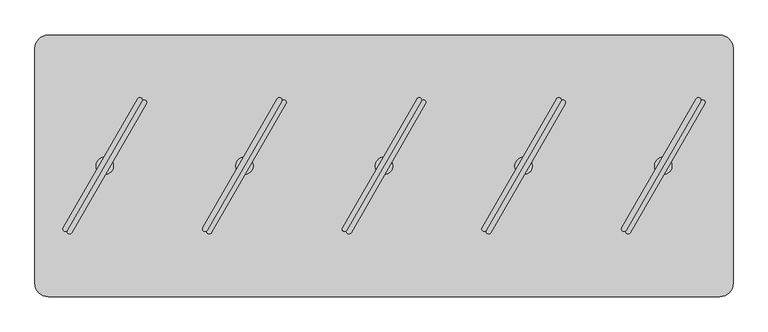
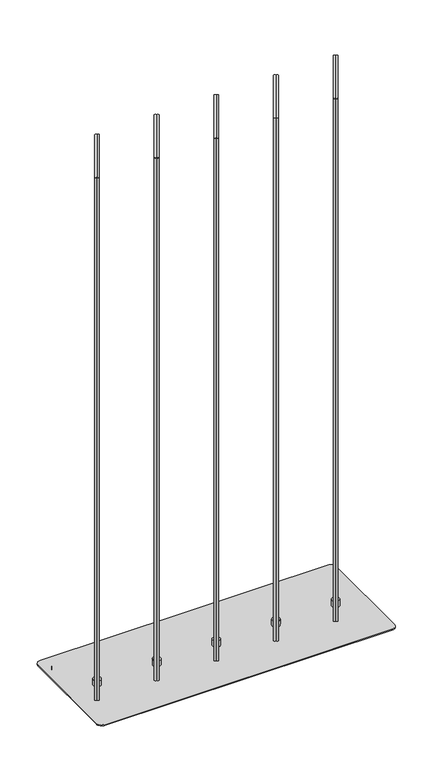
"""IFC4 building model written with IfcOpenShell, lengths in millimetres: furniture geometry."""

from ifc_helpers import new_model, si_unit, point, frame, frame_2d, origin, origin_with_axes, place, context, project, spatial, polyline, circle_curve, trimmed, segment, composite_curve, outline, extrude, source, transform, mapped, element, save
from ifc_brep_helpers import plane_surface, cylinder_surface, advanced_brep


def furniture_399d4e57(model_context):
    return source(origin(), model_context, "Body", "SolidModel", [
        extrude(outline(composite_curve([segment(polyline([(340.6144903, -160.9427833), (447.2724107, 23.7941539)]), True, "CONTINUOUS"), segment(trimmed(circle_curve(frame_2d((450.3034289, 22.0441947)), 3.4999184), [point((447.2724107, 23.7941539))], [point((453.3344472, 20.2942356))], False, "CARTESIAN"), True, "CONTINUOUS"), segment(polyline([(453.3344472, 20.2942356), (346.6765267, -164.4427017)]), True, "CONTINUOUS"), segment(trimmed(circle_curve(frame_2d((343.6455085, -162.6927425)), 3.4999184), [point((346.6765267, -164.4427017))], [point((340.6144903, -160.9427833))], False, "CARTESIAN"), True, "CONTINUOUS")], self_intersect=False)), frame((0.0, 0.0, 44.4119983), z_axis=(0.0, 0.0, 1.0), x_axis=(1.0, 0.0, 0.0)), (0.0, 0.0, 1.0), 1849.882),
        extrude(outline(composite_curve([segment(trimmed(circle_curve(frame_2d((349.707545, -166.1926609)), 3.4999184), [point((352.7385632, -167.9426201))], [point((346.6765267, -164.4427017))], False, "CARTESIAN"), True, "CONTINUOUS"), segment(polyline([(346.6765267, -164.4427017), (453.3344472, 20.2942356)]), True, "CONTINUOUS"), segment(trimmed(circle_curve(frame_2d((456.3654654, 18.5442764)), 3.4999184), [point((453.3344472, 20.2942356))], [point((459.3964836, 16.7943172))], False, "CARTESIAN"), True, "CONTINUOUS"), segment(polyline([(459.3964836, 16.7943172), (352.7385632, -167.9426201)]), True, "CONTINUOUS")], self_intersect=False)), frame((0.0, 0.0, 44.4119983), z_axis=(0.0, 0.0, 1.0), x_axis=(1.0, 0.0, 0.0)), (0.0, 0.0, 1.0), 1849.882),
        advanced_brep(
        [(399.9992, -84.5709522, 44.4119983), (399.9992, -59.5748171, 44.4119983), (399.9992, -59.5748171, 23.6755986), (399.9992, -84.5709522, 23.6755986), (399.9992, -72.0728847, 44.4119983), (399.9992, -72.0728847, 23.6755986)],
        [
            (0, 1, circle_curve(frame((399.9992, -72.0728847, 44.4119983), z_axis=(0.0, 0.0, -1.0), x_axis=(0.0, 1.0, 0.0)), 12.4980675)),
            (1, 2),
            (2, 3, circle_curve(frame((399.9992, -72.0728847, 23.6755986), z_axis=(0.0, 0.0, 1.0), x_axis=(0.0, 1.0, 0.0)), 12.4980675)),
            (3, 0),
            (4, 1),
            (0, 4),
            (0, 1, circle_curve(frame((399.9992, -72.0728847, 44.4119983), z_axis=(0.0, 0.0, 1.0), x_axis=(0.0, 1.0, 0.0)), 12.4980675)),
            (2, 5),
            (5, 3),
            (2, 3, circle_curve(frame((399.9992, -72.0728847, 23.6755986), z_axis=(0.0, 0.0, -1.0), x_axis=(0.0, 1.0, 0.0)), 12.4980675)),
        ],
        [
            cylinder_surface(frame((399.9992, -72.0728847, 51.9527758), z_axis=(0.0, 0.0, 1.0), x_axis=(0.0, 1.0, 0.0)), 12.4980675),
            plane_surface(frame((399.9992, -72.0728847, 44.4119983), z_axis=(0.0, 0.0, 1.0), x_axis=(0.0, 1.0, 0.0))),
            plane_surface(frame((399.9992, -72.0728847, 23.6755986), z_axis=(0.0, 0.0, -1.0), x_axis=(0.0, 1.0, 0.0))),
        ],
        [
            (0, [[1, 2, 3, 4]]),
            (1, [[5, -1, 6]]),
            (1, [[-6, 7, -5]]),
            (2, [[-3, 8, 9]]),
            (2, [[10, -9, -8]]),
            (0, [[-7, -4, -10, -2]]),
        ],
    ),
        extrude(outline(composite_curve([segment(polyline([(140.6148903, -160.9427833), (247.2728107, 23.7941539)]), True, "CONTINUOUS"), segment(trimmed(circle_curve(frame_2d((250.3038289, 22.0441947)), 3.4999184), [point((247.2728107, 23.7941539))], [point((253.3348472, 20.2942356))], False, "CARTESIAN"), True, "CONTINUOUS"), segment(polyline([(253.3348472, 20.2942356), (146.6769267, -164.4427017)]), True, "CONTINUOUS"), segment(trimmed(circle_curve(frame_2d((143.6459085, -162.6927425)), 3.4999184), [point((146.6769267, -164.4427017))], [point((140.6148903, -160.9427833))], False, "CARTESIAN"), True, "CONTINUOUS")], self_intersect=False)), frame((0.0, 0.0, 44.4119983), z_axis=(0.0, 0.0, 1.0), x_axis=(1.0, 0.0, 0.0)), (0.0, 0.0, 1.0), 1849.882),
        extrude(outline(composite_curve([segment(trimmed(circle_curve(frame_2d((149.707945, -166.1926609)), 3.4999184), [point((152.7389632, -167.9426201))], [point((146.6769267, -164.4427017))], False, "CARTESIAN"), True, "CONTINUOUS"), segment(polyline([(146.6769267, -164.4427017), (253.3348472, 20.2942356)]), True, "CONTINUOUS"), segment(trimmed(circle_curve(frame_2d((256.3658654, 18.5442764)), 3.4999184), [point((253.3348472, 20.2942356))], [point((259.3968836, 16.7943172))], False, "CARTESIAN"), True, "CONTINUOUS"), segment(polyline([(259.3968836, 16.7943172), (152.7389632, -167.9426201)]), True, "CONTINUOUS")], self_intersect=False)), frame((0.0, 0.0, 44.4119983), z_axis=(0.0, 0.0, 1.0), x_axis=(1.0, 0.0, 0.0)), (0.0, 0.0, 1.0), 1849.882),
        advanced_brep(
        [(199.9996, -84.5709522, 44.4119983), (199.9996, -59.5748171, 44.4119983), (199.9996, -59.5748171, 23.6755986), (199.9996, -84.5709522, 23.6755986), (199.9996, -72.0728847, 44.4119983), (199.9996, -72.0728847, 23.6755986)],
        [
            (0, 1, circle_curve(frame((199.9996, -72.0728847, 44.4119983), z_axis=(0.0, 0.0, -1.0), x_axis=(0.0, 1.0, 0.0)), 12.4980675)),
            (1, 2),
            (2, 3, circle_curve(frame((199.9996, -72.0728847, 23.6755986), z_axis=(0.0, 0.0, 1.0), x_axis=(0.0, 1.0, 0.0)), 12.4980675)),
            (3, 0),
            (4, 1),
            (0, 4),
            (0, 1, circle_curve(frame((199.9996, -72.0728847, 44.4119983), z_axis=(0.0, 0.0, 1.0), x_axis=(0.0, 1.0, 0.0)), 12.4980675)),
            (2, 5),
            (5, 3),
            (2, 3, circle_curve(frame((199.9996, -72.0728847, 23.6755986), z_axis=(0.0, 0.0, -1.0), x_axis=(0.0, 1.0, 0.0)), 12.4980675)),
        ],
        [
            cylinder_surface(frame((199.9996, -72.0728847, 51.9527758), z_axis=(0.0, 0.0, 1.0), x_axis=(0.0, 1.0, 0.0)), 12.4980675),
            plane_surface(frame((199.9996, -72.0728847, 44.4119983), z_axis=(0.0, 0.0, 1.0), x_axis=(0.0, 1.0, 0.0))),
            plane_surface(frame((199.9996, -72.0728847, 23.6755986), z_axis=(0.0, 0.0, -1.0), x_axis=(0.0, 1.0, 0.0))),
        ],
        [
            (0, [[1, 2, 3, 4]]),
            (1, [[5, -1, 6]]),
            (1, [[-6, 7, -5]]),
            (2, [[-3, 8, 9]]),
            (2, [[10, -9, -8]]),
            (0, [[-7, -4, -10, -2]]),
        ],
    ),
        extrude(outline(composite_curve([segment(polyline([(-459.3839097, -160.9427833), (-352.7259893, 23.7941539)]), True, "CONTINUOUS"), segment(trimmed(circle_curve(frame_2d((-349.6949711, 22.0441947)), 3.4999184), [point((-352.7259893, 23.7941539))], [point((-346.6639528, 20.2942356))], False, "CARTESIAN"), True, "CONTINUOUS"), segment(polyline([(-346.6639528, 20.2942356), (-453.3218733, -164.4427017)]), True, "CONTINUOUS"), segment(trimmed(circle_curve(frame_2d((-456.3528915, -162.6927425)), 3.4999184), [point((-453.3218733, -164.4427017))], [point((-459.3839097, -160.9427833))], False, "CARTESIAN"), True, "CONTINUOUS")], self_intersect=False)), frame((0.0, 0.0, 44.4119983), z_axis=(0.0, 0.0, 1.0), x_axis=(1.0, 0.0, 0.0)), (0.0, 0.0, 1.0), 1849.882),
        extrude(outline(composite_curve([segment(trimmed(circle_curve(frame_2d((-450.290855, -166.1926609)), 3.4999184), [point((-447.2598368, -167.9426201))], [point((-453.3218733, -164.4427017))], False, "CARTESIAN"), True, "CONTINUOUS"), segment(polyline([(-453.3218733, -164.4427017), (-346.6639528, 20.2942356)]), True, "CONTINUOUS"), segment(trimmed(circle_curve(frame_2d((-343.6329346, 18.5442764)), 3.4999184), [point((-346.6639528, 20.2942356))], [point((-340.6019164, 16.7943172))], False, "CARTESIAN"), True, "CONTINUOUS"), segment(polyline([(-340.6019164, 16.7943172), (-447.2598368, -167.9426201)]), True, "CONTINUOUS")], self_intersect=False)), frame((0.0, 0.0, 44.4119983), z_axis=(0.0, 0.0, 1.0), x_axis=(1.0, 0.0, 0.0)), (0.0, 0.0, 1.0), 1849.882),
        advanced_brep(
        [(-399.9992, -84.5709522, 44.4119983), (-399.9992, -59.5748171, 44.4119983), (-399.9992, -59.5748171, 23.6755986), (-399.9992, -84.5709522, 23.6755986), (-399.9992, -72.0728847, 44.4119983), (-399.9992, -72.0728847, 23.6755986)],
        [
            (0, 1, circle_curve(frame((-399.9992, -72.0728847, 44.4119983), z_axis=(0.0, 0.0, -1.0), x_axis=(0.0, 1.0, 0.0)), 12.4980675)),
            (1, 2),
            (2, 3, circle_curve(frame((-399.9992, -72.0728847, 23.6755986), z_axis=(0.0, 0.0, 1.0), x_axis=(0.0, 1.0, 0.0)), 12.4980675)),
            (3, 0),
            (4, 1),
            (0, 4),
            (0, 1, circle_curve(frame((-399.9992, -72.0728847, 44.4119983), z_axis=(0.0, 0.0, 1.0), x_axis=(0.0, 1.0, 0.0)), 12.4980675)),
            (2, 5),
            (5, 3),
            (2, 3, circle_curve(frame((-399.9992, -72.0728847, 23.6755986), z_axis=(0.0, 0.0, -1.0), x_axis=(0.0, 1.0, 0.0)), 12.4980675)),
        ],
        [
            cylinder_surface(frame((-399.9992, -72.0728847, 51.9527758), z_axis=(0.0, 0.0, 1.0), x_axis=(0.0, 1.0, 0.0)), 12.4980675),
            plane_surface(frame((-399.9992, -72.0728847, 44.4119983), z_axis=(0.0, 0.0, 1.0), x_axis=(0.0, 1.0, 0.0))),
            plane_surface(frame((-399.9992, -72.0728847, 23.6755986), z_axis=(0.0, 0.0, -1.0), x_axis=(0.0, 1.0, 0.0))),
        ],
        [
            (0, [[1, 2, 3, 4]]),
            (1, [[5, -1, 6]]),
            (1, [[-6, 7, -5]]),
            (2, [[-3, 8, 9]]),
            (2, [[10, -9, -8]]),
            (0, [[-7, -4, -10, -2]]),
        ],
    ),
        extrude(outline(composite_curve([segment(polyline([(-59.3847097, -160.9427833), (47.2732107, 23.7941539)]), True, "CONTINUOUS"), segment(trimmed(circle_curve(frame_2d((50.3042289, 22.0441947)), 3.4999184), [point((47.2732107, 23.7941539))], [point((53.3352472, 20.2942356))], False, "CARTESIAN"), True, "CONTINUOUS"), segment(polyline([(53.3352472, 20.2942356), (-53.3226733, -164.4427017)]), True, "CONTINUOUS"), segment(trimmed(circle_curve(frame_2d((-56.3536915, -162.6927425)), 3.4999184), [point((-53.3226733, -164.4427017))], [point((-59.3847097, -160.9427833))], False, "CARTESIAN"), True, "CONTINUOUS")], self_intersect=False)), frame((0.0, 0.0, 44.4119983), z_axis=(0.0, 0.0, 1.0), x_axis=(1.0, 0.0, 0.0)), (0.0, 0.0, 1.0), 1849.882),
        extrude(outline(composite_curve([segment(trimmed(circle_curve(frame_2d((-50.291655, -166.1926609)), 3.4999184), [point((-47.2606368, -167.9426201))], [point((-53.3226733, -164.4427017))], False, "CARTESIAN"), True, "CONTINUOUS"), segment(polyline([(-53.3226733, -164.4427017), (53.3352472, 20.2942356)]), True, "CONTINUOUS"), segment(trimmed(circle_curve(frame_2d((56.3662654, 18.5442764)), 3.4999184), [point((53.3352472, 20.2942356))], [point((59.3972836, 16.7943172))], False, "CARTESIAN"), True, "CONTINUOUS"), segment(polyline([(59.3972836, 16.7943172), (-47.2606368, -167.9426201)]), True, "CONTINUOUS")], self_intersect=False)), frame((0.0, 0.0, 44.4119983), z_axis=(0.0, 0.0, 1.0), x_axis=(1.0, 0.0, 0.0)), (0.0, 0.0, 1.0), 1849.882),
        advanced_brep(
        [(0.0, -84.5709522, 44.4119983), (0.0, -59.5748171, 44.4119983), (0.0, -59.5748171, 23.6755986), (0.0, -84.5709522, 23.6755986), (0.0, -72.0728847, 44.4119983), (0.0, -72.0728847, 23.6755986)],
        [
            (0, 1, circle_curve(frame((0.0, -72.0728847, 44.4119983), z_axis=(0.0, 0.0, -1.0), x_axis=(0.0, 1.0, 0.0)), 12.4980675)),
            (1, 2),
            (2, 3, circle_curve(frame((0.0, -72.0728847, 23.6755986), z_axis=(0.0, 0.0, 1.0), x_axis=(0.0, 1.0, 0.0)), 12.4980675)),
            (3, 0),
            (4, 1),
            (0, 4),
            (0, 1, circle_curve(frame((0.0, -72.0728847, 44.4119983), z_axis=(0.0, 0.0, 1.0), x_axis=(0.0, 1.0, 0.0)), 12.4980675)),
            (2, 5),
            (5, 3),
            (2, 3, circle_curve(frame((0.0, -72.0728847, 23.6755986), z_axis=(0.0, 0.0, -1.0), x_axis=(0.0, 1.0, 0.0)), 12.4980675)),
        ],
        [
            cylinder_surface(frame((0.0, -72.0728847, 51.9527758), z_axis=(0.0, 0.0, 1.0), x_axis=(0.0, 1.0, 0.0)), 12.4980675),
            plane_surface(frame((0.0, -72.0728847, 44.4119983), z_axis=(0.0, 0.0, 1.0), x_axis=(0.0, 1.0, 0.0))),
            plane_surface(frame((0.0, -72.0728847, 23.6755986), z_axis=(0.0, 0.0, -1.0), x_axis=(0.0, 1.0, 0.0))),
        ],
        [
            (0, [[1, 2, 3, 4]]),
            (1, [[5, -1, 6]]),
            (1, [[-6, 7, -5]]),
            (2, [[-3, 8, 9]]),
            (2, [[10, -9, -8]]),
            (0, [[-7, -4, -10, -2]]),
        ],
    ),
        extrude(outline(composite_curve([segment(polyline([(-259.3843097, -160.9427833), (-152.7263893, 23.7941539)]), True, "CONTINUOUS"), segment(trimmed(circle_curve(frame_2d((-149.6953711, 22.0441947)), 3.4999184), [point((-152.7263893, 23.7941539))], [point((-146.6643528, 20.2942356))], False, "CARTESIAN"), True, "CONTINUOUS"), segment(polyline([(-146.6643528, 20.2942356), (-253.3222733, -164.4427017)]), True, "CONTINUOUS"), segment(trimmed(circle_curve(frame_2d((-256.3532915, -162.6927425)), 3.4999184), [point((-253.3222733, -164.4427017))], [point((-259.3843097, -160.9427833))], False, "CARTESIAN"), True, "CONTINUOUS")], self_intersect=False)), frame((0.0, 0.0, 44.4119983), z_axis=(0.0, 0.0, 1.0), x_axis=(1.0, 0.0, 0.0)), (0.0, 0.0, 1.0), 1849.882),
        extrude(outline(composite_curve([segment(trimmed(circle_curve(frame_2d((-250.291255, -166.1926609)), 3.4999184), [point((-247.2602368, -167.9426201))], [point((-253.3222733, -164.4427017))], False, "CARTESIAN"), True, "CONTINUOUS"), segment(polyline([(-253.3222733, -164.4427017), (-146.6643528, 20.2942356)]), True, "CONTINUOUS"), segment(trimmed(circle_curve(frame_2d((-143.6333346, 18.5442764)), 3.4999184), [point((-146.6643528, 20.2942356))], [point((-140.6023164, 16.7943172))], False, "CARTESIAN"), True, "CONTINUOUS"), segment(polyline([(-140.6023164, 16.7943172), (-247.2602368, -167.9426201)]), True, "CONTINUOUS")], self_intersect=False)), frame((0.0, 0.0, 44.4119983), z_axis=(0.0, 0.0, 1.0), x_axis=(1.0, 0.0, 0.0)), (0.0, 0.0, 1.0), 1849.882),
        advanced_brep(
        [(-199.9996, -84.5709522, 44.4119983), (-199.9996, -59.5748171, 44.4119983), (-199.9996, -59.5748171, 23.6755986), (-199.9996, -84.5709522, 23.6755986), (-199.9996, -72.0728847, 44.4119983), (-199.9996, -72.0728847, 23.6755986)],
        [
            (0, 1, circle_curve(frame((-199.9996, -72.0728847, 44.4119983), z_axis=(0.0, 0.0, -1.0), x_axis=(0.0, 1.0, 0.0)), 12.4980675)),
            (1, 2),
            (2, 3, circle_curve(frame((-199.9996, -72.0728847, 23.6755986), z_axis=(0.0, 0.0, 1.0), x_axis=(0.0, 1.0, 0.0)), 12.4980675)),
            (3, 0),
            (4, 1),
            (0, 4),
            (0, 1, circle_curve(frame((-199.9996, -72.0728847, 44.4119983), z_axis=(0.0, 0.0, 1.0), x_axis=(0.0, 1.0, 0.0)), 12.4980675)),
            (2, 5),
            (5, 3),
            (2, 3, circle_curve(frame((-199.9996, -72.0728847, 23.6755986), z_axis=(0.0, 0.0, -1.0), x_axis=(0.0, 1.0, 0.0)), 12.4980675)),
        ],
        [
            cylinder_surface(frame((-199.9996, -72.0728847, 51.9527758), z_axis=(0.0, 0.0, 1.0), x_axis=(0.0, 1.0, 0.0)), 12.4980675),
            plane_surface(frame((-199.9996, -72.0728847, 44.4119983), z_axis=(0.0, 0.0, 1.0), x_axis=(0.0, 1.0, 0.0))),
            plane_surface(frame((-199.9996, -72.0728847, 23.6755986), z_axis=(0.0, 0.0, -1.0), x_axis=(0.0, 1.0, 0.0))),
        ],
        [
            (0, [[1, 2, 3, 4]]),
            (1, [[5, -1, 6]]),
            (1, [[-6, 7, -5]]),
            (2, [[-3, 8, 9]]),
            (2, [[10, -9, -8]]),
            (0, [[-7, -4, -10, -2]]),
        ],
    ),
        extrude(outline(composite_curve([segment(polyline([(-450.7865, 85.2691143), (450.7865, 85.2691143)]), True, "CONTINUOUS"), segment(trimmed(circle_curve(frame_2d((450.7865, 66.2191143)), 19.05), [point((450.7865, 85.2691143))], [point((469.8365, 66.2191143))], False, "CARTESIAN"), True, "CONTINUOUS"), segment(polyline([(469.8365, 66.2191143), (469.8365, -210.3648972)]), True, "CONTINUOUS"), segment(trimmed(circle_curve(frame_2d((450.7865, -210.3648972)), 19.05), [point((469.8365, -210.3648972))], [point((450.7865, -229.4148972))], False, "CARTESIAN"), True, "CONTINUOUS"), segment(polyline([(450.7865, -229.4148972), (-450.7865, -229.4148972)]), True, "CONTINUOUS"), segment(trimmed(circle_curve(frame_2d((-450.7865, -210.3648972)), 19.05), [point((-450.7865, -229.4148972))], [point((-469.8365, -210.3648972))], False, "CARTESIAN"), True, "CONTINUOUS"), segment(polyline([(-469.8365, -210.3648972), (-469.8365, 66.2191143)]), True, "CONTINUOUS"), segment(trimmed(circle_curve(frame_2d((-450.7865, 66.2191143)), 19.05), [point((-469.8365, 66.2191143))], [point((-450.7865, 85.2691143))], False, "CARTESIAN"), True, "CONTINUOUS")], self_intersect=False)), origin_with_axes(), (0.0, 0.0, 1.0), 20.6756),
        extrude(outline(composite_curve([segment(trimmed(circle_curve(frame_2d((480.949, 96.2021153)), 19.05), [point((480.949, 115.2521153))], [point((499.999, 96.2021153))], False, "CARTESIAN"), True, "CONTINUOUS"), segment(polyline([(499.999, 96.2021153), (499.999, -240.3478847)]), True, "CONTINUOUS"), segment(trimmed(circle_curve(frame_2d((480.949, -240.3478847)), 19.05), [point((499.999, -240.3478847))], [point((480.949, -259.3978847))], False, "CARTESIAN"), True, "CONTINUOUS"), segment(polyline([(480.949, -259.3978847), (-480.949, -259.3978847)]), True, "CONTINUOUS"), segment(trimmed(circle_curve(frame_2d((-480.949, -240.3478847)), 19.05), [point((-480.949, -259.3978847))], [point((-499.999, -240.3478847))], False, "CARTESIAN"), True, "CONTINUOUS"), segment(polyline([(-499.999, -240.3478847), (-499.999, 96.2021153)]), True, "CONTINUOUS"), segment(trimmed(circle_curve(frame_2d((-480.949, 96.2021153)), 19.05), [point((-499.999, 96.2021153))], [point((-480.949, 115.2521153))], False, "CARTESIAN"), True, "CONTINUOUS"), segment(polyline([(-480.949, 115.2521153), (480.949, 115.2521153)]), True, "CONTINUOUS")], self_intersect=False)), frame((0.0, 0.0, 20.6756), z_axis=(0.0, 0.0, 1.0), x_axis=(1.0, 0.0, 0.0)), (0.0, 0.0, 1.0), 2.9999986),
    ])


if __name__ == "__main__":
    model = new_model("IFC4")
    model_context = context("Model", 3, world=origin())
    ifc_project = project(units=[si_unit("LENGTHUNIT", "METRE", prefix="MILLI")], contexts=[model_context])
    site = spatial("IfcSite", under=ifc_project)
    building = spatial("IfcBuilding", under=site)
    placement = place(None, origin())
    furniture_shape = furniture_399d4e57(model_context)
    element("IfcFurniture", 1, at=placement, inside=building, context=model_context, shape_type="MappedRepresentation", body=[
        mapped(furniture_shape, transform((0.0, 0.0, 0.0), x_axis=(1.0, 0.0, 0.0), y_axis=(0.0, 1.0, 0.0), z_axis=(0.0, 0.0, 1.0))),
    ])
    save(model, "model.ifc")
